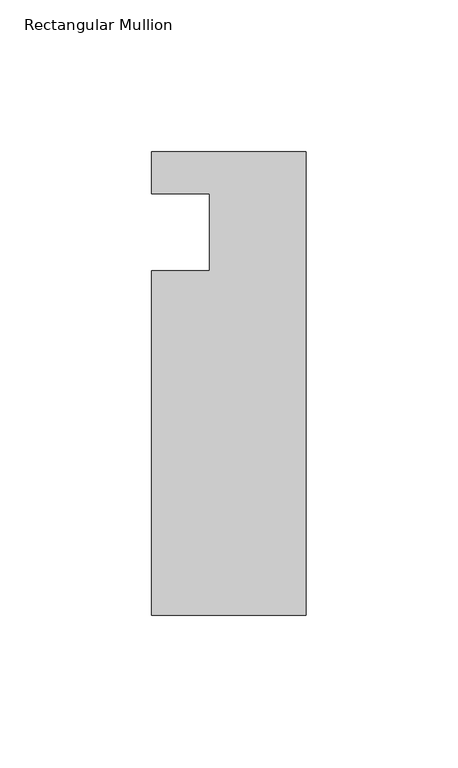
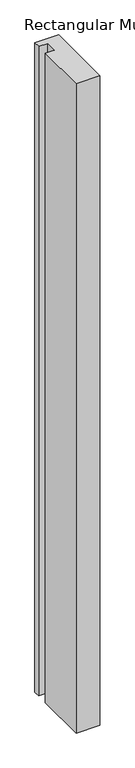
"""IFC4 building model written with IfcOpenShell, lengths in millimetres: member geometry, Rectangular Mullion."""

from ifc_helpers import new_model, si_unit, frame, origin, place, context, project, spatial, polyline, outline, extrude, source, transform, mapped, element, save


def rectangular_mullion_a6621e4a(model_context):
    return source(origin(), model_context, "Body", "SweptSolid", [
        extrude(outline(polyline([(0.0, 13.672693), (0.0, -138.727307), (-50.8, -138.727307), (-50.8, -25.4), (-31.75, -25.4), (-31.75, 0.0), (-50.8, 0.0), (-50.8, 13.672693), (0.0, 13.672693)])), frame((0.0, 0.0, -1466.85), z_axis=(0.0, 0.0, 1.0), x_axis=(1.0, 0.0, 0.0)), (0.0, 0.0, 1.0), 1466.85),
    ])


if __name__ == "__main__":
    model = new_model("IFC4")
    model_context = context("Model", 3, world=origin())
    ifc_project = project(units=[si_unit("LENGTHUNIT", "METRE", prefix="MILLI")], contexts=[model_context])
    site = spatial("IfcSite", under=ifc_project)
    building = spatial("IfcBuilding", under=site)
    placement = place(None, origin())
    rectangular_mullion_shape = rectangular_mullion_a6621e4a(model_context)
    element("IfcMember", 1, ObjectType="Rectangular Mullion", at=placement, inside=building, context=model_context, shape_type="MappedRepresentation", body=[
        mapped(rectangular_mullion_shape, transform((0.0, 0.0, 0.0), x_axis=(1.0, 0.0, 0.0), y_axis=(0.0, 1.0, 0.0), z_axis=(0.0, 0.0, 1.0))),
    ])
    save(model, "model.ifc")
